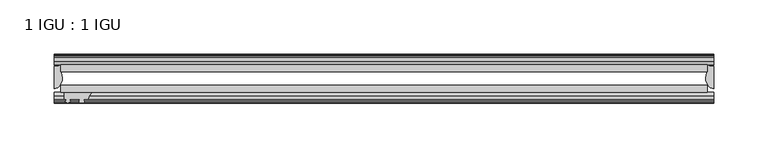
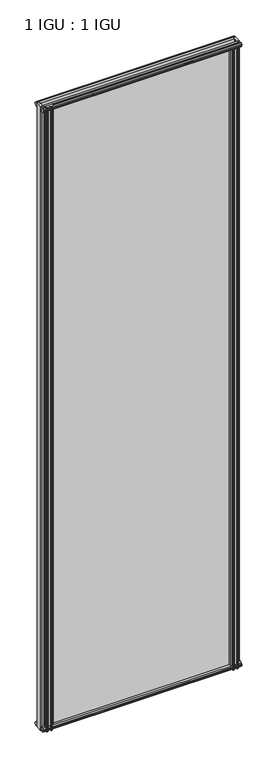
"""IFC4 building model written with IfcOpenShell, lengths in millimetres: plate geometry, 1 IGU : 1 IGU."""

import ifcopenshell
import ifcopenshell.guid

model = None  # the IFC model being written
_history = None  # IfcOwnerHistory: only IFC2X3 demands one
_inside = {}  # id of a spatial element -> (the spatial element, [elements in it])
_under = {}  # id of a project, library or spatial element -> (it, [spatial elements below it])
_declared = {}  # id of a project -> (the project, [libraries it declares])
_typed = {}  # id of a type object -> (the type object, [elements of that type])
_made_of = {}  # id of a material, layer set ... -> (it, [elements and type objects made of it])


def new_model(schema):
    """Start an empty IFC model of exactly this schema.

    Asked for "IFC4X3", IfcOpenShell would pick the latest addendum, in which some entities
    have other attributes; the version numbers below select the first issue.
    IFC2X3 requires an IfcOwnerHistory on every rooted entity: one is made here for all.
    """
    global model, _history
    if schema == "IFC4X3":
        model = ifcopenshell.file(schema_version=(4, 3, 0, 0))
    else:
        model = ifcopenshell.file(schema=schema)
    _inside.clear()
    _under.clear()
    _declared.clear()
    _typed.clear()
    _made_of.clear()
    _history = None
    if model.schema == "IFC2X3":
        org = make("IfcOrganization", Name="unknown")
        user = make(
            "IfcPersonAndOrganization",
            ThePerson=make("IfcPerson", FamilyName="unknown"),
            TheOrganization=org,
        )
        app = make(
            "IfcApplication",
            ApplicationDeveloper=org,
            Version="unknown",
            ApplicationFullName="unknown",
            ApplicationIdentifier="unknown",
        )
        _history = make(
            "IfcOwnerHistory",
            OwningUser=user,
            OwningApplication=app,
            ChangeAction="ADDED",
            CreationDate=0,
        )
    return model


def make(cls, **values):
    """One entity of the class cls with the attributes given. An attribute that is None is left unset."""
    return model.create_entity(
        cls, **{name: value for name, value in values.items() if value is not None}
    )


def rooted(cls, **values):
    """An entity with a GlobalId (a new one), such as an element, a storey or a relation."""
    return make(cls, GlobalId=ifcopenshell.guid.new(), OwnerHistory=_history, **values)


def si_unit(unit_type, name, prefix=None):
    """IfcSIUnit, for example si_unit("LENGTHUNIT", "METRE", prefix="MILLI")."""
    return make("IfcSIUnit", UnitType=unit_type, Prefix=prefix, Name=name)


def assignment(units):
    """IfcUnitAssignment: the units of a project."""
    return None if units is None else make("IfcUnitAssignment", Units=units)


def point(xyz):
    """IfcCartesianPoint."""
    return None if xyz is None else make("IfcCartesianPoint", Coordinates=xyz)


def direction(xyz):
    """IfcDirection."""
    return None if xyz is None else make("IfcDirection", DirectionRatios=xyz)


def frame(location, z_axis=None, x_axis=None):
    """IfcAxis2Placement3D, a coordinate frame: its origin and axes. An axis left out is left unset."""
    return make(
        "IfcAxis2Placement3D",
        Location=point(location),
        Axis=direction(z_axis),
        RefDirection=direction(x_axis),
    )


def frame_2d(location, x_axis=None):
    """IfcAxis2Placement2D, a coordinate frame in the plane: its origin and x axis."""
    return make(
        "IfcAxis2Placement2D", Location=point(location), RefDirection=direction(x_axis)
    )


def origin():
    """The frame at (0, 0, 0) with its axes left unset."""
    return frame((0.0, 0.0, 0.0))


def place(relative_to, where):
    """IfcLocalPlacement: puts the frame where relative to a parent placement (None: the world)."""
    return make(
        "IfcLocalPlacement", PlacementRelTo=relative_to, RelativePlacement=where
    )


def context(
    kind, dimensions, precision=None, world=None, true_north=None, identifier=None
):
    """IfcGeometricRepresentationContext, for example the 3D "Model" context."""
    return make(
        "IfcGeometricRepresentationContext",
        ContextIdentifier=identifier,
        ContextType=kind,
        CoordinateSpaceDimension=dimensions,
        Precision=precision,
        WorldCoordinateSystem=world,
        TrueNorth=true_north,
    )


def project(units=None, contexts=None):
    """IfcProject with its units and contexts."""
    return rooted(
        "IfcProject",
        Name="project",
        RepresentationContexts=contexts,
        UnitsInContext=assignment(units),
    )


def spatial(cls, under=None, at=None, **own):
    """A site, building, storey or space (cls), placed at a placement, below another one or the project."""
    s = rooted(cls, ObjectPlacement=at, **own)
    if under is not None:
        _under.setdefault(under.id(), (under, []))[1].append(s)
    return s


def polyline(points):
    """IfcPolyline through the points."""
    return make("IfcPolyline", Points=[point(p) for p in points])


def circle_curve(where, radius):
    """IfcCircle in the frame where."""
    return make("IfcCircle", Position=where, Radius=radius)


def ellipse_curve(where, semi_axis1, semi_axis2):
    """IfcEllipse in the frame where."""
    return make(
        "IfcEllipse", Position=where, SemiAxis1=semi_axis1, SemiAxis2=semi_axis2
    )


def trimmed(basis, trim1, trim2, sense, master):
    """IfcTrimmedCurve: the piece of a basis curve between two trims."""
    return make(
        "IfcTrimmedCurve",
        BasisCurve=basis,
        Trim1=trim1,
        Trim2=trim2,
        SenseAgreement=sense,
        MasterRepresentation=master,
    )


def segment(curve, same_sense, transition):
    """IfcCompositeCurveSegment."""
    return make(
        "IfcCompositeCurveSegment",
        Transition=transition,
        SameSense=same_sense,
        ParentCurve=curve,
    )


def composite_curve(segments, self_intersect=None):
    """IfcCompositeCurve: segments joined end to end."""
    return make("IfcCompositeCurve", Segments=segments, SelfIntersect=self_intersect)


def outline(outer, holes=None, kind="AREA"):
    """IfcArbitraryClosedProfileDef: a profile drawn as a closed curve; with holes, ...WithVoids."""
    if holes is None:
        return make("IfcArbitraryClosedProfileDef", ProfileType=kind, OuterCurve=outer)
    return make(
        "IfcArbitraryProfileDefWithVoids",
        ProfileType=kind,
        OuterCurve=outer,
        InnerCurves=holes,
    )


def extrude(swept, where, along, depth):
    """IfcExtrudedAreaSolid: the profile swept, set in the frame where, extruded along a direction by depth."""
    return make(
        "IfcExtrudedAreaSolid",
        SweptArea=swept,
        Position=where,
        ExtrudedDirection=direction(along),
        Depth=depth,
    )


def shape(context_of_items, identifier, shape_type, items):
    """IfcShapeRepresentation: the items that make up one representation, for example the "Body"."""
    return make(
        "IfcShapeRepresentation",
        ContextOfItems=context_of_items,
        RepresentationIdentifier=identifier,
        RepresentationType=shape_type,
        Items=items,
    )


def source(mapping_origin, context_of_items, identifier, shape_type, items):
    """IfcRepresentationMap: a shape defined once, which mapped items show again and again."""
    return make(
        "IfcRepresentationMap",
        MappingOrigin=mapping_origin,
        MappedRepresentation=shape(context_of_items, identifier, shape_type, items),
    )


def transform(
    local_origin,
    x_axis=None,
    y_axis=None,
    z_axis=None,
    scale=None,
    scale2=None,
    scale3=None,
    uniform=True,
):
    """IfcCartesianTransformationOperator3D, or its non-uniform kind. x_axis, y_axis, z_axis: its Axis1, 2, 3."""
    if uniform:
        return make(
            "IfcCartesianTransformationOperator3D",
            Axis1=direction(x_axis),
            Axis2=direction(y_axis),
            LocalOrigin=point(local_origin),
            Scale=scale,
            Axis3=direction(z_axis),
        )
    return make(
        "IfcCartesianTransformationOperator3DnonUniform",
        Axis1=direction(x_axis),
        Axis2=direction(y_axis),
        LocalOrigin=point(local_origin),
        Scale=scale,
        Axis3=direction(z_axis),
        Scale2=scale2,
        Scale3=scale3,
    )


def mapped(mapping_source, mapping_target):
    """IfcMappedItem: shows the shape of a source again, moved by a transform."""
    return make(
        "IfcMappedItem", MappingSource=mapping_source, MappingTarget=mapping_target
    )


def made_of(thing, what):
    """Note that an element or type object is made of a material, layer set ...; save() writes the relation."""
    if what is not None:
        _made_of.setdefault(what.id(), (what, []))[1].append(thing)
    return thing


def element(
    cls,
    number,
    at=None,
    inside=None,
    cuts=None,
    type_object=None,
    material=None,
    context=None,
    identifier="Body",
    shape_type=None,
    held_by="IfcProductDefinitionShape",
    body=None,
    shapes=None,
    **own,
):
    """One element of the class cls, such as IfcWall. Its Tag is "e" and its number.

    at: its placement. inside: the storey or other place that contains it. cuts: it is an
    opening in that element (IfcRelVoidsElement). A single representation is given by context,
    identifier, shape_type and body (its items); several are given by shapes. held_by: the class
    of the entity that holds the representations. save() writes the other relations.
    """
    e = rooted(cls, Tag="e%d" % number, ObjectPlacement=at, **own)
    if body is not None:
        shapes = [shape(context, identifier, shape_type, body)]
    if shapes is not None:
        e.Representation = make(held_by, Representations=shapes)
    if inside is not None:
        _inside.setdefault(inside.id(), (inside, []))[1].append(e)
    if cuts is not None:
        rooted(
            "IfcRelVoidsElement", RelatingBuildingElement=cuts, RelatedOpeningElement=e
        )
    if type_object is not None:
        _typed.setdefault(type_object.id(), (type_object, []))[1].append(e)
    return made_of(e, material)


def aggregate(whole, parts):
    """IfcRelAggregates: a whole, such as a stair, and the parts it consists of."""
    return rooted("IfcRelAggregates", RelatingObject=whole, RelatedObjects=parts)


def save(model, path):
    """Write the relations noted so far, then the file.

    IfcRelAggregates (storeys below a building ...), IfcRelContainedInSpatialStructure (elements
    in a storey), IfcRelDefinesByType, IfcRelAssociatesMaterial and IfcRelDeclares: one each for
    every whole, place, type object, material and project.
    """
    for whole, parts in _under.values():
        aggregate(whole, parts)
    for where, things in _inside.values():
        rooted(
            "IfcRelContainedInSpatialStructure",
            RelatedElements=things,
            RelatingStructure=where,
        )
    for kind, things in _typed.values():
        rooted("IfcRelDefinesByType", RelatedObjects=things, RelatingType=kind)
    for what, things in _made_of.values():
        rooted("IfcRelAssociatesMaterial", RelatedObjects=things, RelatingMaterial=what)
    for by, libraries in _declared.values():
        rooted("IfcRelDeclares", RelatingContext=by, RelatedDefinitions=libraries)
    model.write(path)


def plane_surface(at):
    """IfcPlane: the flat surface through the origin of the frame at, square to its z axis."""
    return make("IfcPlane", Position=at)


def cylinder_surface(at, radius):
    """IfcCylindricalSurface: all points at the distance radius from the z axis of the frame at."""
    return make("IfcCylindricalSurface", Position=at, Radius=radius)


def revolved_surface(curve, axis_point, axis_direction):
    """IfcSurfaceOfRevolution: the curve turned about the line through axis_point along axis_direction."""
    return make(
        "IfcSurfaceOfRevolution",
        SweptCurve=make("IfcArbitraryOpenProfileDef", ProfileType="CURVE", Curve=curve),
        AxisPosition=make("IfcAxis1Placement", Location=point(axis_point), Axis=direction(axis_direction)),
    )


def extruded_surface(curve, direction_of_extrusion, depth):
    """IfcSurfaceOfLinearExtrusion: the curve pushed along a direction by depth."""
    return make(
        "IfcSurfaceOfLinearExtrusion",
        SweptCurve=make("IfcArbitraryOpenProfileDef", ProfileType="CURVE", Curve=curve),
        ExtrudedDirection=direction(direction_of_extrusion),
        Depth=depth,
    )


def advanced_brep(points, edges, surfaces, faces):
    """IfcAdvancedBrep: a solid bounded by faces that lie on surfaces and meet in shared edges.

    An edge is (start, end): straight between two places in points (the first is 0);
    or (start, end, curve); or (start, end, curve, False) where it runs against its curve.
    A face is (place in surfaces, loops), or (place, loops, False) where it looks against
    its surface's normal. A loop lists edges by number (the first is 1), with a minus sign
    where the edge is run from its end to its start. The first loop is the outer one.
    """
    corners = [point(p) for p in points]
    vertices = [make("IfcVertexPoint", VertexGeometry=c) for c in corners]
    made = []
    for start, end, *more in edges:
        made.append(
            make(
                "IfcEdgeCurve",
                EdgeStart=vertices[start],
                EdgeEnd=vertices[end],
                EdgeGeometry=more[0] if more else make("IfcPolyline", Points=[corners[start], corners[end]]),
                SameSense=more[1] if len(more) > 1 else True,
            )
        )
    hull = []
    for where, loops, *sense in faces:
        bounds = []
        for j, loop in enumerate(loops):
            ring = [make("IfcOrientedEdge", EdgeElement=made[abs(k) - 1], Orientation=k > 0) for k in loop]
            bounds.append(
                make(
                    "IfcFaceOuterBound" if j == 0 else "IfcFaceBound",
                    Bound=make("IfcEdgeLoop", EdgeList=ring),
                    Orientation=True,
                )
            )
        hull.append(make("IfcAdvancedFace", Bounds=bounds, FaceSurface=surfaces[where], SameSense=sense[0] if sense else True))
    return make("IfcAdvancedBrep", Outer=make("IfcClosedShell", CfsFaces=hull))


def plate_1_igu_1_igu_6bc5439c(model_context):
    return source(origin(), model_context, "Body", "SolidModel", [
        extrude(outline(polyline([(-298.4500002, -38.6468937), (298.4500002, -38.6468937), (298.4500002, -44.9460938), (-298.4500002, -44.9460938), (-298.4500002, -38.6468937)])), frame((0.0, 0.0, -12.7), z_axis=(0.0, 0.0, 1.0), x_axis=(1.0, 0.0, 0.0)), (0.0, 0.0, 1.0), 2019.2999999),
        extrude(outline(polyline([(-298.4500002, -19.5460937), (298.4500002, -19.5460937), (298.4500002, -25.8960938), (-298.4500002, -25.8960938), (-298.4500002, -19.5460937)])), frame((0.0, 0.0, -12.7), z_axis=(0.0, 0.0, 1.0), x_axis=(1.0, 0.0, 0.0)), (0.0, 0.0, 1.0), 2019.2999999),
        advanced_brep(
        [(304.8000002, -21.1709383, -12.4587), (304.8000002, -41.5384061, -12.4587), (297.277663, -32.2460938, -12.4587), (298.4500002, -25.8452938, -12.4587), (298.4500002, -19.5460938, -12.4587), (304.8000002, -21.1709383, 2006.5999999), (298.4500002, -19.5460938, 2006.5999999), (298.4500002, -25.8452938, 2006.5999999), (297.277663, -32.2460938, 2006.5999999), (304.8000002, -41.5384061, 2006.5999999)],
        [
            (0, 1),
            (1, 2, ellipse_curve(frame((304.8000002, -32.2460938, -12.4587), z_axis=(0.0, 0.0, -1.0), x_axis=(0.0, -1.0, 0.0)), 9.2923124, 7.5223371)),
            (2, 3, circle_curve(frame((315.3375765, -32.2460938, -12.4587), z_axis=(0.0, 0.0, -1.0), x_axis=(1.0, 0.0, 0.0)), 18.0599135)),
            (3, 4),
            (4, 0, circle_curve(frame((304.8000002, -7.950406, -12.4587), z_axis=(0.0, 0.0, 1.0), x_axis=(1.0, 0.0, 0.0)), 13.2205323)),
            (5, 6, circle_curve(frame((304.8000002, -7.950406, 2006.5999999), z_axis=(0.0, 0.0, -1.0), x_axis=(1.0, 0.0, 0.0)), 13.2205323)),
            (6, 7),
            (7, 8, circle_curve(frame((315.3375765, -32.2460938, 2006.5999999), z_axis=(0.0, 0.0, 1.0), x_axis=(1.0, 0.0, 0.0)), 18.0599135)),
            (8, 9, ellipse_curve(frame((304.8000002, -32.2460938, 2006.5999999), z_axis=(0.0, 0.0, 1.0), x_axis=(0.0, -1.0, 0.0)), 9.2923124, 7.5223371)),
            (9, 5),
            (1, 9),
            (8, 2),
            (7, 3),
            (6, 4),
            (5, 0),
        ],
        [
            plane_surface(frame((304.8000002, -13.1960938, -12.4587), z_axis=(0.0, 0.0, -1.0), x_axis=(0.0, 1.0, 0.0))),
            plane_surface(frame((304.8000002, -13.1960938, 2006.5999999), z_axis=(0.0, 0.0, 1.0), x_axis=(0.0, 1.0, 0.0))),
            extruded_surface(trimmed(ellipse_curve(frame((304.8000002, -32.2460938, 2006.5999999), z_axis=(0.0, 0.0, -1.0), x_axis=(0.0, -1.0, 0.0)), 9.2923124, 7.5223371), [point((304.8000002, -41.5384061, 2006.5999999))], [point((297.277663, -32.2460938, 2006.5999999))], True, "CARTESIAN"), (0.0, 0.0, -2019.0586999), 2019.0586999),
            cylinder_surface(frame((315.3375765, -32.2460938, -12.4587), z_axis=(0.0, 0.0, -1.0), x_axis=(1.0, 0.0, 0.0)), 18.0599135),
            plane_surface(frame((298.4500002, -25.8452938, -12.4587), z_axis=(-1.0, 0.0, 0.0), x_axis=(0.0, 0.0, 1.0))),
            revolved_surface(polyline([(318.0205325, -7.950406, 2006.5999999), (318.0205325, -7.950406, -12.4587)]), (304.8000002, -7.950406, -12.4587), (0.0, 0.0, 1.0)),
            plane_surface(frame((304.8000002, -21.1709383, -12.4587), z_axis=(1.0, 0.0, 0.0), x_axis=(0.0, 0.0, 1.0))),
        ],
        [
            (0, [[1, 2, 3, 4, 5]]),
            (1, [[6, 7, 8, 9, 10]]),
            (2, [[-2, 11, -9, 12]]),
            (3, [[-3, -12, -8, 13]]),
            (4, [[-4, -13, -7, 14]]),
            (5, [[-5, -14, -6, 15]]),
            (6, [[-1, -15, -10, -11]]),
        ],
    ),
        advanced_brep(
        [(-304.8000002, -21.1706006, -12.7), (-298.4513883, -19.5461438, -12.7), (-298.4513883, -25.8549351, -12.7), (-297.276037, -32.21431, -12.7), (-304.8000002, -41.5384043, -12.7), (-304.8000002, -21.1706006, 2006.5999999), (-304.8000002, -41.5384043, 2006.5999999), (-297.276037, -32.21431, 2006.5999999), (-298.4513883, -25.8549351, 2006.5999999), (-298.4513883, -19.5461438, 2006.5999999)],
        [
            (0, 1, circle_curve(frame((-304.8005696, -7.9505008, -12.7), z_axis=(0.0, 0.0, 1.0), x_axis=(1.0, 0.0, 0.0)), 13.2200998)),
            (1, 2),
            (2, 3, circle_curve(frame((-315.3384013, -32.2643264, -12.7), z_axis=(0.0, 0.0, -1.0), x_axis=(1.0, 0.0, 0.0)), 18.0624336)),
            (3, 4, ellipse_curve(frame((-304.7991672, -32.2460921, -12.7), z_axis=(0.0, 0.0, -1.0), x_axis=(0.0, -1.0, 0.0)), 9.2923123, 7.5231742)),
            (4, 0),
            (5, 6),
            (6, 7, ellipse_curve(frame((-304.7991672, -32.2460921, 2006.5999999), z_axis=(0.0, 0.0, 1.0), x_axis=(0.0, -1.0, 0.0)), 9.2923123, 7.5231742)),
            (7, 8, circle_curve(frame((-315.3384013, -32.2643264, 2006.5999999), z_axis=(0.0, 0.0, 1.0), x_axis=(1.0, 0.0, 0.0)), 18.0624336)),
            (8, 9),
            (9, 5, circle_curve(frame((-304.8005696, -7.9505008, 2006.5999999), z_axis=(0.0, 0.0, -1.0), x_axis=(1.0, 0.0, 0.0)), 13.2200998)),
            (0, 5),
            (9, 1),
            (8, 2),
            (7, 3),
            (6, 4),
        ],
        [
            plane_surface(frame((-304.8000002, -13.1960937, -12.7), z_axis=(0.0, 0.0, -1.0), x_axis=(0.0, 1.0, 0.0))),
            plane_surface(frame((-304.8000002, -13.1960937, 2006.5999999), z_axis=(0.0, 0.0, 1.0), x_axis=(0.0, 1.0, 0.0))),
            revolved_surface(polyline([(-291.5804698, -7.9505008, 2006.5999999), (-291.5804698, -7.9505008, -12.7)]), (-304.8005696, -7.9505008, -12.7), (0.0, 0.0, 1.0)),
            plane_surface(frame((-298.4513883, -19.5461438, -12.7), z_axis=(1.0, 0.0, 0.0), x_axis=(0.0, 0.0, 1.0))),
            cylinder_surface(frame((-315.3384013, -32.2643264, -12.7), z_axis=(0.0, 0.0, -1.0), x_axis=(1.0, 0.0, 0.0)), 18.0624336),
            extruded_surface(trimmed(ellipse_curve(frame((-304.7991672, -32.2460921, 2006.5999999), z_axis=(0.0, 0.0, -1.0), x_axis=(0.0, -1.0, 0.0)), 9.2923123, 7.5231742), [point((-297.276037, -32.21431, 2006.5999999))], [point((-304.8000002, -41.5384043, 2006.5999999))], True, "CARTESIAN"), (0.0, 0.0, -2019.2999999), 2019.2999999),
            plane_surface(frame((-304.8000002, -41.5384043, -12.7), z_axis=(-1.0, 0.0, 0.0), x_axis=(0.0, 0.0, 1.0))),
        ],
        [
            (0, [[1, 2, 3, 4, 5]]),
            (1, [[6, 7, 8, 9, 10]]),
            (2, [[-1, 11, -10, 12]]),
            (3, [[-2, -12, -9, 13]]),
            (4, [[-3, -13, -8, 14]]),
            (5, [[-4, -14, -7, 15]]),
            (6, [[-5, -15, -6, -11]]),
        ],
    ),
        extrude(outline(polyline([(-44.9460937, 1.7177181), (-44.9460937, -9.1036578), (-48.3496937, -11.938), (-51.2960937, -11.938), (-51.2960937, -7.493), (-53.6762907, -7.112), (-53.2163575, -8.5275291), (-54.0175717, -8.5275291), (-54.7250937, -6.35), (-54.0175717, -4.1724709), (-53.2163575, -4.1724709), (-53.6762907, -5.588), (-51.2960937, -5.207), (-51.2960937, 0.0), (-44.9460937, 1.7177181)])), frame((-304.8000002, 0.0, 0.0), z_axis=(1.0, 0.0, 0.0), x_axis=(0.0, 1.0, 0.0)), (0.0, 0.0, 1.0), 609.6000003),
        extrude(outline(polyline([(-13.1960937, -12.4587), (-16.1424937, -12.4587), (-19.5460937, -9.6243578), (-19.5460937, 1.1970181), (-13.1960937, -0.5207), (-13.1960937, -5.7277), (-10.8158968, -6.1087), (-11.27583, -4.6931709), (-10.4746158, -4.6931709), (-9.7670937, -6.8707), (-10.4746158, -9.0482291), (-11.27583, -9.0482291), (-10.8158968, -7.6327), (-13.1960937, -8.0137), (-13.1960937, -12.4587)])), frame((-304.8000002, 0.0, 0.0), z_axis=(1.0, 0.0, 0.0), x_axis=(0.0, 1.0, 0.0)), (0.0, 0.0, 1.0), 609.6000003),
        extrude(outline(polyline([(-51.2960937, 2005.8379999), (-48.3496937, 2005.8379999), (-44.9460937, 2003.0036577), (-44.9460937, 1992.1822818), (-51.2960937, 1993.8999999), (-51.2960937, 1999.1069999), (-53.6762907, 1999.4879999), (-53.2163575, 1998.0724708), (-54.0175717, 1998.0724708), (-54.7250937, 2000.2499999), (-54.0175717, 2002.4275289), (-53.2163575, 2002.4275289), (-53.6762907, 2001.0119999), (-51.2960937, 2001.3929999), (-51.2960937, 2005.8379999)])), frame((-304.8000002, 0.0, 0.0), z_axis=(1.0, 0.0, 0.0), x_axis=(0.0, 1.0, 0.0)), (0.0, 0.0, 1.0), 609.6000003),
        extrude(outline(polyline([(-19.5460937, 1992.7029818), (-19.5460937, 2003.5243577), (-16.1424937, 2006.3586999), (-13.1960937, 2006.3586999), (-13.1960937, 2001.9136999), (-10.8158968, 2001.5326999), (-11.27583, 2002.9482289), (-10.4746158, 2002.9482289), (-9.7670937, 2000.7706999), (-10.4746158, 1998.5931708), (-11.27583, 1998.5931708), (-10.8158968, 2000.0086999), (-13.1960937, 1999.6276999), (-13.1960937, 1994.4206999), (-19.5460937, 1992.7029818)])), frame((-304.8000002, 0.0, 0.0), z_axis=(1.0, 0.0, 0.0), x_axis=(0.0, 1.0, 0.0)), (0.0, 0.0, 1.0), 609.6000003),
        extrude(outline(composite_curve([segment(polyline([(295.2750003, -44.9460938), (295.2750003, -51.2960938), (293.6240003, -51.2960938), (293.6240003, -52.9470938), (294.701631, -52.9470938)]), True, "CONTINUOUS"), segment(trimmed(circle_curve(frame_2d((293.6240003, -52.9470938)), 1.0776307), [point((294.701631, -52.9470938))], [point((294.3860003, -53.7090938))], False, "CARTESIAN"), True, "CONTINUOUS"), segment(polyline([(294.3860003, -53.7090938), (292.6467079, -54.8194621)]), True, "CONTINUOUS"), segment(trimmed(circle_curve(frame_2d((292.1000003, -53.9630938)), 1.016), [point((292.6467079, -54.8194621))], [point((291.5532927, -54.8194621))], False, "CARTESIAN"), True, "CONTINUOUS"), segment(polyline([(291.5532927, -54.8194621), (289.8140003, -53.7090938)]), True, "CONTINUOUS"), segment(trimmed(circle_curve(frame_2d((290.5760003, -52.9470938)), 1.0776307), [point((289.8140003, -53.7090938))], [point((289.4983696, -52.9470938))], False, "CARTESIAN"), True, "CONTINUOUS"), segment(polyline([(289.4983696, -52.9470938), (290.5760003, -52.9470938), (290.5760003, -51.2960938), (281.5082003, -51.2960938)]), True, "CONTINUOUS"), segment(trimmed(circle_curve(frame_2d((281.5082003, -51.7532938)), 0.4572), [point((281.5082003, -51.2960938))], [point((281.1693825, -52.0602698))], True, "CARTESIAN"), True, "CONTINUOUS"), segment(trimmed(circle_curve(frame_2d((279.4000003, -53.663367)), 2.3876), [point((281.1693825, -52.0602698))], [point((281.4706433, -54.8520938))], False, "CARTESIAN"), True, "CONTINUOUS"), segment(polyline([(281.4706433, -54.8520938), (277.3293573, -54.8520938)]), True, "CONTINUOUS"), segment(trimmed(circle_curve(frame_2d((279.4000003, -53.663367)), 2.3876), [point((277.3293573, -54.8520938))], [point((277.6306182, -52.0602698))], False, "CARTESIAN"), True, "CONTINUOUS"), segment(trimmed(circle_curve(frame_2d((277.2918003, -51.7532938)), 0.4572), [point((277.6306182, -52.0602698))], [point((277.2918003, -51.2960938))], True, "CARTESIAN"), True, "CONTINUOUS"), segment(polyline([(277.2918003, -51.2960938), (273.0500003, -51.2960938)]), True, "CONTINUOUS"), segment(trimmed(circle_curve(frame_2d((264.0340689, -51.9750196)), 9.0414579), [point((273.0500003, -51.2960938))], [point((269.7210858, -44.9460938))], True, "CARTESIAN"), True, "CONTINUOUS"), segment(polyline([(269.7210858, -44.9460938), (295.2750003, -44.9460938)]), True, "CONTINUOUS")], self_intersect=False)), frame((0.0, 0.0, -12.7), z_axis=(0.0, 0.0, 1.0), x_axis=(1.0, 0.0, 0.0)), (0.0, 0.0, 1.0), 2006.5999999),
        extrude(outline(composite_curve([segment(trimmed(circle_curve(frame_2d((-264.0340689, -51.9750196)), 9.0414579), [point((-269.7210858, -44.9460938))], [point((-273.0500003, -51.2960938))], True, "CARTESIAN"), True, "CONTINUOUS"), segment(polyline([(-273.0500003, -51.2960938), (-277.2918003, -51.2960938)]), True, "CONTINUOUS"), segment(trimmed(circle_curve(frame_2d((-277.2918003, -51.7532938)), 0.4572), [point((-277.2918003, -51.2960938))], [point((-277.6306182, -52.0602698))], True, "CARTESIAN"), True, "CONTINUOUS"), segment(trimmed(circle_curve(frame_2d((-279.4000003, -53.663367)), 2.3876), [point((-277.6306182, -52.0602698))], [point((-277.3293573, -54.8520938))], False, "CARTESIAN"), True, "CONTINUOUS"), segment(polyline([(-277.3293573, -54.8520938), (-281.4706433, -54.8520938)]), True, "CONTINUOUS"), segment(trimmed(circle_curve(frame_2d((-279.4000003, -53.663367)), 2.3876), [point((-281.4706433, -54.8520938))], [point((-281.1693825, -52.0602698))], False, "CARTESIAN"), True, "CONTINUOUS"), segment(trimmed(circle_curve(frame_2d((-281.5082003, -51.7532938)), 0.4572), [point((-281.1693825, -52.0602698))], [point((-281.5082003, -51.2960938))], True, "CARTESIAN"), True, "CONTINUOUS"), segment(polyline([(-281.5082003, -51.2960938), (-290.5760003, -51.2960938), (-290.5760003, -52.9470938), (-289.4983696, -52.9470938)]), True, "CONTINUOUS"), segment(trimmed(circle_curve(frame_2d((-290.5760003, -52.9470938)), 1.0776307), [point((-289.4983696, -52.9470938))], [point((-289.8140003, -53.7090938))], False, "CARTESIAN"), True, "CONTINUOUS"), segment(polyline([(-289.8140003, -53.7090938), (-291.5532927, -54.8194621)]), True, "CONTINUOUS"), segment(trimmed(circle_curve(frame_2d((-292.1000003, -53.9630938)), 1.016), [point((-291.5532927, -54.8194621))], [point((-292.6467079, -54.8194621))], False, "CARTESIAN"), True, "CONTINUOUS"), segment(polyline([(-292.6467079, -54.8194621), (-294.3860003, -53.7090938)]), True, "CONTINUOUS"), segment(trimmed(circle_curve(frame_2d((-293.6240003, -52.9470938)), 1.0776307), [point((-294.3860003, -53.7090938))], [point((-294.701631, -52.9470938))], False, "CARTESIAN"), True, "CONTINUOUS"), segment(polyline([(-294.701631, -52.9470938), (-293.6240003, -52.9470938), (-293.6240003, -51.2960938), (-295.2750003, -51.2960938), (-295.2750003, -44.9460938), (-269.7210858, -44.9460938)]), True, "CONTINUOUS")], self_intersect=False)), frame((0.0, 0.0, -12.7), z_axis=(0.0, 0.0, 1.0), x_axis=(1.0, 0.0, 0.0)), (0.0, 0.0, 1.0), 2019.3),
    ])


if __name__ == "__main__":
    model = new_model("IFC4")
    model_context = context("Model", 3, world=origin())
    ifc_project = project(units=[si_unit("LENGTHUNIT", "METRE", prefix="MILLI")], contexts=[model_context])
    site = spatial("IfcSite", under=ifc_project)
    building = spatial("IfcBuilding", under=site)
    placement = place(None, origin())
    plate_1_igu_1_igu_shape = plate_1_igu_1_igu_6bc5439c(model_context)
    element("IfcPlate", 1, ObjectType="1 IGU : 1 IGU", at=placement, inside=building, context=model_context, shape_type="MappedRepresentation", body=[
        mapped(plate_1_igu_1_igu_shape, transform((0.0, 0.0, 0.0), x_axis=(1.0, 0.0, 0.0), y_axis=(0.0, 1.0, 0.0), z_axis=(0.0, 0.0, 1.0))),
    ])
    save(model, "model.ifc")
